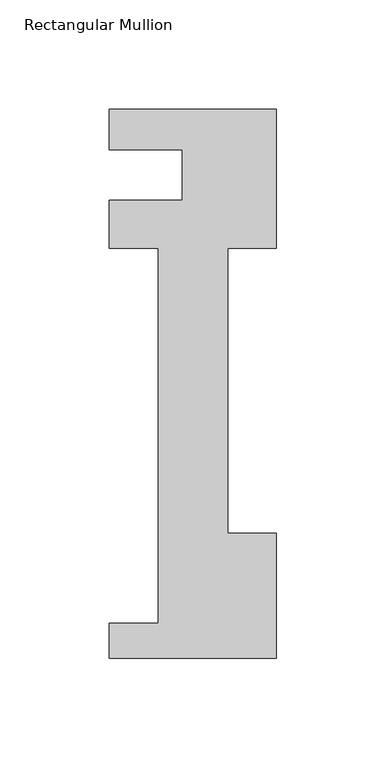
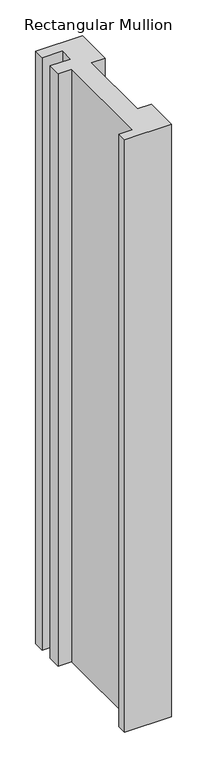
"""IFC4 building model written with IfcOpenShell, lengths in millimetres: member geometry, Rectangular Mullion."""

from ifc_helpers import new_model, si_unit, frame, origin, place, context, project, spatial, polyline, outline, extrude, source, transform, mapped, element, save


def rectangular_mullion_33a8eb62(model_context):
    return source(origin(), model_context, "Body", "SweptSolid", [
        extrude(outline(polyline([(-76.2, -221.996), (-76.2, -206.121), (-53.975, -206.121), (-53.975, -34.671), (-76.2, -34.671), (-76.2, -12.7), (-42.8625, -12.7), (-42.8625, 10.3191857), (-76.2, 10.3191857), (-76.2, 28.8080986), (0.0, 28.8080986), (0.0, -34.671), (-22.225, -34.671), (-22.225, -164.8220701), (0.0, -164.8220701), (0.0, -221.996), (-76.2, -221.996)])), frame((0.0, 0.0, -1016.0), z_axis=(0.0, 0.0, 1.0), x_axis=(1.0, 0.0, 0.0)), (0.0, 0.0, 1.0), 1016.0),
    ])


if __name__ == "__main__":
    model = new_model("IFC4")
    model_context = context("Model", 3, world=origin())
    ifc_project = project(units=[si_unit("LENGTHUNIT", "METRE", prefix="MILLI")], contexts=[model_context])
    site = spatial("IfcSite", under=ifc_project)
    building = spatial("IfcBuilding", under=site)
    placement = place(None, origin())
    rectangular_mullion_shape = rectangular_mullion_33a8eb62(model_context)
    element("IfcMember", 1, ObjectType="Rectangular Mullion", at=placement, inside=building, context=model_context, shape_type="MappedRepresentation", body=[
        mapped(rectangular_mullion_shape, transform((0.0, 0.0, 0.0), x_axis=(1.0, 0.0, 0.0), y_axis=(0.0, 1.0, 0.0), z_axis=(0.0, 0.0, 1.0))),
    ])
    save(model, "model.ifc")
